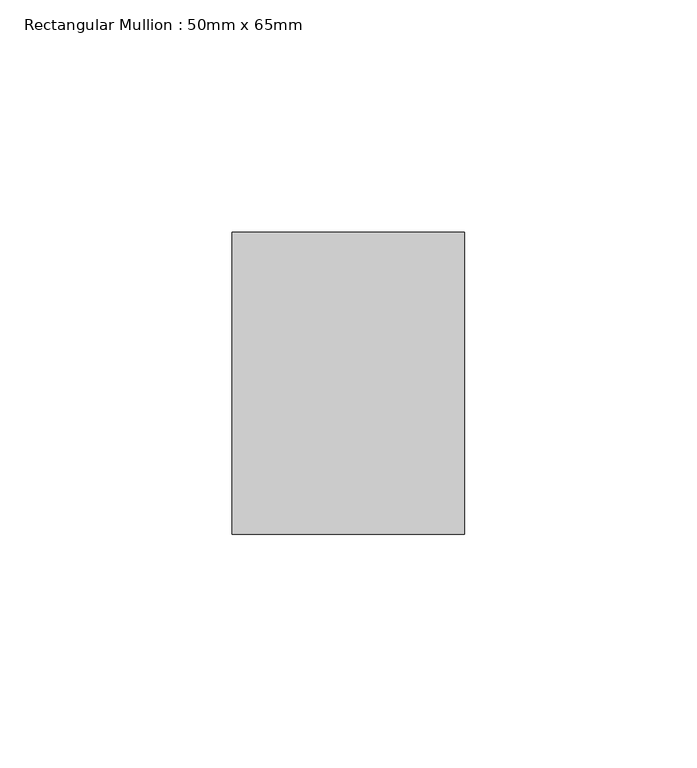
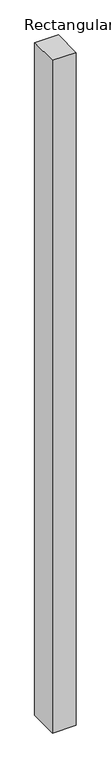
"""IFC4 building model written with IfcOpenShell, lengths in millimetres: member geometry, Rectangular Mullion : 50mm x 65mm."""

from ifc_helpers import new_model, si_unit, frame, origin, place, context, project, spatial, polyline, outline, extrude, source, transform, mapped, element, save


def rectangular_mullion_50mm_x_65mm_da398678(model_context):
    return source(origin(), model_context, "Body", "SweptSolid", [
        extrude(outline(polyline([(-32.5, 0.0443364), (32.5, -0.0443365), (32.5, -1499.9019192), (-32.5, -1500.0980964), (-32.5, 0.0443364)])), frame((-25.0, 0.0, 0.0), z_axis=(1.0, 0.0, 0.0), x_axis=(0.0, 1.0, 0.0)), (0.0, 0.0, 1.0), 50.0),
    ])


if __name__ == "__main__":
    model = new_model("IFC4")
    model_context = context("Model", 3, world=origin())
    ifc_project = project(units=[si_unit("LENGTHUNIT", "METRE", prefix="MILLI")], contexts=[model_context])
    site = spatial("IfcSite", under=ifc_project)
    building = spatial("IfcBuilding", under=site)
    placement = place(None, origin())
    rectangular_mullion_50mm_x_65mm_shape = rectangular_mullion_50mm_x_65mm_da398678(model_context)
    element("IfcMember", 1, ObjectType="Rectangular Mullion : 50mm x 65mm", at=placement, inside=building, context=model_context, shape_type="MappedRepresentation", body=[
        mapped(rectangular_mullion_50mm_x_65mm_shape, transform((0.0, 0.0, 0.0), x_axis=(1.0, 0.0, 0.0), y_axis=(0.0, 1.0, 0.0), z_axis=(0.0, 0.0, 1.0))),
    ])
    save(model, "model.ifc")
